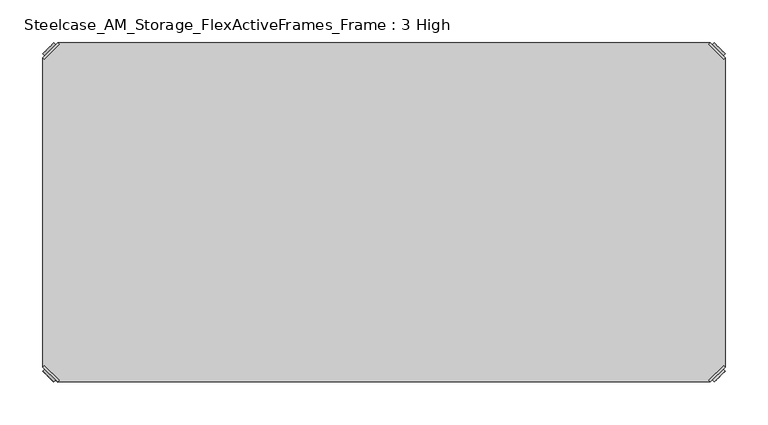
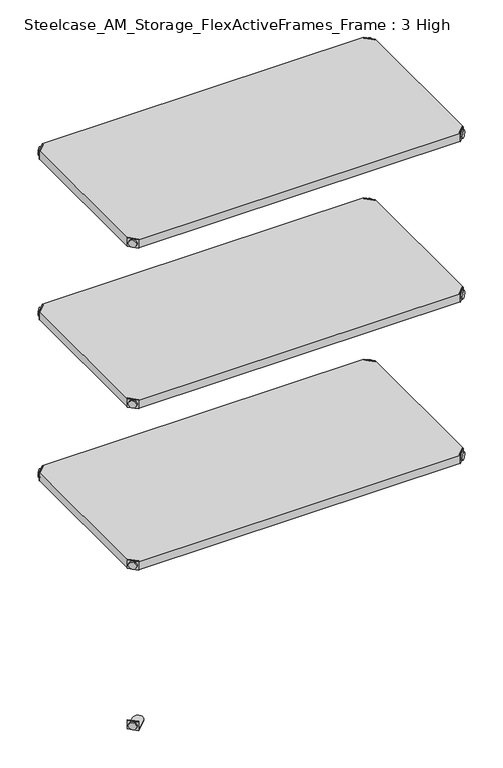
"""IFC4 building model written with IfcOpenShell, lengths in millimetres: furniture geometry, Steelcase_AM_Storage_FlexActiveFrames_Frame : 3 High."""

from ifc_helpers import new_model, si_unit, frame, origin, place, context, project, spatial, polyline, circle_curve, outline, extrude, source, transform, mapped, element, save
from ifc_brep_helpers import plane_surface, cylinder_surface, advanced_brep


def steelcase_am_storage_flexactiveframes_frame_3_high_ee51c34d(model_context):
    return source(origin(), model_context, "Body", "SolidModel", [
        advanced_brep(
        [(2.54, -380.2870969, 923.29), (19.7629031, -397.51, 923.29), (21.5589544, -395.7139488, 923.29), (4.3360512, -378.4910456, 923.29), (2.54, -380.2870969, 901.954), (19.7629031, -397.51, 901.954), (4.8652723, -382.6123691, 913.13), (17.4376309, -395.1847277, 913.13), (30.2920522, -352.5350447, 902.97), (4.3360512, -378.4910456, 902.97), (21.5589544, -395.7139488, 902.97), (47.5149553, -369.7579478, 902.97), (30.2920522, -352.5350447, 901.954), (47.5149553, -369.7579478, 901.954), (15.1227513, -397.4996073, 913.13), (2.5503927, -384.9272487, 913.13)],
        [
            (0, 1),
            (1, 2),
            (2, 3),
            (3, 0),
            (0, 4),
            (4, 5),
            (5, 1),
            (6, 7, circle_curve(frame((11.1514516, -388.8985484, 913.13), z_axis=(0.7071067811865446, 0.7071067811865505, 0.0), x_axis=(-0.7071067811865505, 0.7071067811865446, 0.0)), 8.89)),
            (7, 6, circle_curve(frame((11.1514516, -388.8985484, 913.13), z_axis=(0.7071067811865446, 0.7071067811865505, 0.0), x_axis=(-0.7071067811865505, 0.7071067811865446, 0.0)), 8.89)),
            (8, 9),
            (9, 10),
            (10, 11),
            (11, 8, circle_curve(frame((38.9035037, -361.1464963, 902.97), z_axis=(0.0, 0.0, 1.0), x_axis=(1.0, 0.0, 0.0)), 12.1784316)),
            (12, 13, circle_curve(frame((38.9035037, -361.1464963, 901.954), z_axis=(0.0, 0.0, -1.0), x_axis=(1.0, 0.0, 0.0)), 12.1784316)),
            (13, 5),
            (4, 12),
            (14, 15, circle_curve(frame((8.836572, -391.213428, 913.13), z_axis=(-0.7071067811865446, -0.7071067811865505, 0.0), x_axis=(-0.7071067811865505, 0.7071067811865446, 0.0)), 8.89)),
            (15, 14, circle_curve(frame((8.836572, -391.213428, 913.13), z_axis=(-0.7071067811865446, -0.7071067811865505, 0.0), x_axis=(-0.7071067811865505, 0.7071067811865446, 0.0)), 8.89)),
            (15, 6),
            (7, 14),
            (2, 10),
            (9, 3),
            (11, 13),
            (12, 8),
        ],
        [
            plane_surface(frame((-19.6579872, -402.485084, 923.29), z_axis=(0.0, 0.0, 1.0000000000000002), x_axis=(0.7071067811865436, 0.7071067811865516, 0.0))),
            plane_surface(frame((19.7629031, -397.51, 923.29), z_axis=(-0.7071067811865447, -0.7071067811865503, 0.0), x_axis=(0.0, 0.0, -1.0))),
            plane_surface(frame((51.0819353, -361.1464963, 902.97), z_axis=(0.0, 0.0, 1.0), x_axis=(0.0, -1.0, 0.0))),
            plane_surface(frame((51.0819353, -361.1464963, 901.954), z_axis=(0.0, 0.0, -1.0), x_axis=(0.0, 1.0, 0.0))),
            plane_surface(frame((2.5503927, -384.9272487, 913.13), z_axis=(-0.7071067811865446, -0.7071067811865505, 0.0), x_axis=(0.0, 0.0, 1.0))),
            cylinder_surface(frame((11.1514516, -388.8985484, 913.13), z_axis=(-0.7071067811865446, -0.7071067811865505, 0.0), x_axis=(-0.7071067811865505, 0.7071067811865446, 0.0)), 8.89),
            plane_surface(frame((4.3360512, -378.4910456, 923.29), z_axis=(0.7071067811865447, 0.7071067811865503, 0.0), x_axis=(0.0, 0.0, -1.0))),
            cylinder_surface(frame((38.9035037, -361.1464963, 901.954), z_axis=(0.0, 0.0, 1.0), x_axis=(1.0, 0.0, 0.0)), 12.1784316),
            plane_surface(frame((2.54, -380.2870969, 923.29), z_axis=(-0.7071067811865516, 0.7071067811865436, 0.0), x_axis=(0.0, 0.0, -1.0))),
            plane_surface(frame((21.5589544, -395.7139488, 923.29), z_axis=(0.7071067811865513, -0.7071067811865437, 0.0), x_axis=(0.0, 0.0, -1.0))),
        ],
        [
            (0, [[1, 2, 3, 4]]),
            (1, [[5, 6, 7, -1], [8, 9]]),
            (2, [[10, 11, 12, 13]]),
            (3, [[14, 15, -6, 16]]),
            (4, [[17, 18]]),
            (5, [[19, -9, 20, -18]]),
            (5, [[-20, -8, -19, -17]]),
            (6, [[21, -11, 22, -3]]),
            (7, [[23, -14, 24, -13]]),
            (8, [[-22, -10, -24, -16, -5, -4]]),
            (9, [[-7, -15, -23, -12, -21, -2]]),
        ],
    ),
        advanced_brep(
        [(797.56, -380.2870969, 923.29), (795.7639488, -378.4910456, 923.29), (778.5410456, -395.7139488, 923.29), (780.3370969, -397.51, 923.29), (780.3370969, -397.51, 901.954), (797.56, -380.2870969, 901.954), (795.2347277, -382.6123691, 913.13), (782.6623691, -395.1847277, 913.13), (769.8079478, -352.5350447, 902.97), (752.5850447, -369.7579478, 902.97), (778.5410456, -395.7139488, 902.97), (795.7639488, -378.4910456, 902.97), (769.8079478, -352.5350447, 901.954), (752.5850447, -369.7579478, 901.954), (784.9772487, -397.4996073, 913.13), (797.5496073, -384.9272487, 913.13)],
        [
            (0, 1),
            (1, 2),
            (2, 3),
            (3, 0),
            (3, 4),
            (4, 5),
            (5, 0),
            (6, 7, circle_curve(frame((788.9485484, -388.8985484, 913.13), z_axis=(-0.7071067811865446, 0.7071067811865505, 0.0), x_axis=(0.7071067811865505, 0.7071067811865446, 0.0)), 8.89)),
            (7, 6, circle_curve(frame((788.9485484, -388.8985484, 913.13), z_axis=(-0.7071067811865446, 0.7071067811865505, 0.0), x_axis=(0.7071067811865505, 0.7071067811865446, 0.0)), 8.89)),
            (8, 9, circle_curve(frame((761.1964963, -361.1464963, 902.97), z_axis=(0.0, 0.0, 1.0), x_axis=(-1.0, 0.0, 0.0)), 12.1784316)),
            (9, 10),
            (10, 11),
            (11, 8),
            (12, 5),
            (4, 13),
            (13, 12, circle_curve(frame((761.1964963, -361.1464963, 901.954), z_axis=(0.0, 0.0, -1.0), x_axis=(-1.0, 0.0, 0.0)), 12.1784316)),
            (14, 15, circle_curve(frame((791.263428, -391.213428, 913.13), z_axis=(0.7071067811865446, -0.7071067811865505, 0.0), x_axis=(0.7071067811865505, 0.7071067811865446, 0.0)), 8.89)),
            (15, 14, circle_curve(frame((791.263428, -391.213428, 913.13), z_axis=(0.7071067811865446, -0.7071067811865505, 0.0), x_axis=(0.7071067811865505, 0.7071067811865446, 0.0)), 8.89)),
            (14, 7),
            (6, 15),
            (1, 11),
            (10, 2),
            (8, 12),
            (13, 9),
        ],
        [
            plane_surface(frame((819.7579872, -402.485084, 923.29), z_axis=(0.0, 0.0, 1.0000000000000002), x_axis=(-0.7071067811865436, 0.7071067811865516, 0.0))),
            plane_surface(frame((780.3370969, -397.51, 923.29), z_axis=(0.7071067811865447, -0.7071067811865503, 0.0), x_axis=(0.0, 0.0, -1.0))),
            plane_surface(frame((749.0180647, -361.1464963, 902.97), z_axis=(0.0, 0.0, 1.0), x_axis=(0.0, -1.0, 0.0))),
            plane_surface(frame((749.0180647, -361.1464963, 901.954), z_axis=(0.0, 0.0, -1.0), x_axis=(0.0, 1.0, 0.0))),
            plane_surface(frame((797.5496073, -384.9272487, 913.13), z_axis=(0.7071067811865446, -0.7071067811865505, 0.0), x_axis=(0.0, 0.0, 1.0))),
            cylinder_surface(frame((788.9485484, -388.8985484, 913.13), z_axis=(0.7071067811865446, -0.7071067811865505, 0.0), x_axis=(0.7071067811865505, 0.7071067811865446, 0.0)), 8.89),
            plane_surface(frame((795.7639488, -378.4910456, 923.29), z_axis=(-0.7071067811865447, 0.7071067811865503, 0.0), x_axis=(0.0, 0.0, -1.0))),
            cylinder_surface(frame((761.1964963, -361.1464963, 901.954), z_axis=(0.0, 0.0, 1.0), x_axis=(-1.0, 0.0, 0.0)), 12.1784316),
            plane_surface(frame((797.56, -380.2870969, 923.29), z_axis=(0.7071067811865516, 0.7071067811865436, 0.0), x_axis=(0.0, 0.0, -1.0))),
            plane_surface(frame((778.5410456, -395.7139488, 923.29), z_axis=(-0.7071067811865513, -0.7071067811865437, 0.0), x_axis=(0.0, 0.0, -1.0))),
        ],
        [
            (0, [[1, 2, 3, 4]]),
            (1, [[-4, 5, 6, 7], [8, 9]]),
            (2, [[10, 11, 12, 13]]),
            (3, [[14, -6, 15, 16]]),
            (4, [[17, 18]]),
            (5, [[-17, 19, -8, 20]]),
            (5, [[-18, -20, -9, -19]]),
            (6, [[-2, 21, -12, 22]]),
            (7, [[-10, 23, -16, 24]]),
            (8, [[-1, -7, -14, -23, -13, -21]]),
            (9, [[-3, -22, -11, -24, -15, -5]]),
        ],
    ),
        advanced_brep(
        [(797.56, -19.7629031, 923.29), (780.3370969, -2.54, 923.29), (778.5410456, -4.3360512, 923.29), (795.7639488, -21.5589544, 923.29), (797.56, -19.7629031, 901.954), (780.3370969, -2.54, 901.954), (795.2347277, -17.4376309, 913.13), (782.6623691, -4.8652723, 913.13), (769.8079478, -47.5149553, 902.97), (795.7639488, -21.5589544, 902.97), (778.5410456, -4.3360512, 902.97), (752.5850447, -30.2920522, 902.97), (769.8079478, -47.5149553, 901.954), (752.5850447, -30.2920522, 901.954), (784.9772487, -2.5503927, 913.13), (797.5496073, -15.1227513, 913.13)],
        [
            (0, 1),
            (1, 2),
            (2, 3),
            (3, 0),
            (0, 4),
            (4, 5),
            (5, 1),
            (6, 7, circle_curve(frame((788.9485484, -11.1514516, 913.13), z_axis=(-0.7071067811865469, -0.7071067811865481, 0.0), x_axis=(0.7071067811865481, -0.7071067811865469, 0.0)), 8.89)),
            (7, 6, circle_curve(frame((788.9485484, -11.1514516, 913.13), z_axis=(-0.7071067811865469, -0.7071067811865481, 0.0), x_axis=(0.7071067811865481, -0.7071067811865469, 0.0)), 8.89)),
            (8, 9),
            (9, 10),
            (10, 11),
            (11, 8, circle_curve(frame((761.1964963, -38.9035037, 902.97), z_axis=(0.0, 0.0, 1.0), x_axis=(-1.0, 0.0, 0.0)), 12.1784316)),
            (12, 13, circle_curve(frame((761.1964963, -38.9035037, 901.954), z_axis=(0.0, 0.0, -1.0), x_axis=(-1.0, 0.0, 0.0)), 12.1784316)),
            (13, 5),
            (4, 12),
            (14, 15, circle_curve(frame((791.263428, -8.836572, 913.13), z_axis=(0.7071067811865469, 0.7071067811865481, 0.0), x_axis=(0.7071067811865481, -0.7071067811865469, 0.0)), 8.89)),
            (15, 14, circle_curve(frame((791.263428, -8.836572, 913.13), z_axis=(0.7071067811865469, 0.7071067811865481, 0.0), x_axis=(0.7071067811865481, -0.7071067811865469, 0.0)), 8.89)),
            (15, 6),
            (7, 14),
            (2, 10),
            (9, 3),
            (11, 13),
            (12, 8),
        ],
        [
            plane_surface(frame((819.7579872, 2.435084, 923.29), z_axis=(0.0, 0.0, 1.0000000000000002), x_axis=(-0.7071067811865459, -0.7071067811865492, 0.0))),
            plane_surface(frame((780.3370969, -2.54, 923.29), z_axis=(0.707106781186547, 0.707106781186548, 0.0), x_axis=(0.0, 0.0, -1.0))),
            plane_surface(frame((749.0180647, -38.9035037, 902.97), z_axis=(0.0, 0.0, 1.0), x_axis=(0.0, 1.0, 0.0))),
            plane_surface(frame((749.0180647, -38.9035037, 901.954), z_axis=(0.0, 0.0, -1.0), x_axis=(0.0, -1.0, 0.0))),
            plane_surface(frame((797.5496073, -15.1227513, 913.13), z_axis=(0.7071067811865469, 0.7071067811865481, 0.0), x_axis=(0.0, 0.0, 1.0))),
            cylinder_surface(frame((788.9485484, -11.1514516, 913.13), z_axis=(0.7071067811865469, 0.7071067811865481, 0.0), x_axis=(0.7071067811865481, -0.7071067811865469, 0.0)), 8.89),
            plane_surface(frame((795.7639488, -21.5589544, 923.29), z_axis=(-0.707106781186547, -0.707106781186548, 0.0), x_axis=(0.0, 0.0, -1.0))),
            cylinder_surface(frame((761.1964963, -38.9035037, 901.954), z_axis=(0.0, 0.0, 1.0), x_axis=(-1.0, 0.0, 0.0)), 12.1784316),
            plane_surface(frame((797.56, -19.7629031, 923.29), z_axis=(0.7071067811865492, -0.7071067811865459, 0.0), x_axis=(0.0, 0.0, -1.0))),
            plane_surface(frame((778.5410456, -4.3360512, 923.29), z_axis=(-0.707106781186549, 0.707106781186546, 0.0), x_axis=(0.0, 0.0, -1.0))),
        ],
        [
            (0, [[1, 2, 3, 4]]),
            (1, [[5, 6, 7, -1], [8, 9]]),
            (2, [[10, 11, 12, 13]]),
            (3, [[14, 15, -6, 16]]),
            (4, [[17, 18]]),
            (5, [[19, -9, 20, -18]]),
            (5, [[-20, -8, -19, -17]]),
            (6, [[21, -11, 22, -3]]),
            (7, [[23, -14, 24, -13]]),
            (8, [[-22, -10, -24, -16, -5, -4]]),
            (9, [[-7, -15, -23, -12, -21, -2]]),
        ],
    ),
        advanced_brep(
        [(2.54, -19.7629031, 923.29), (4.3360512, -21.5589544, 923.29), (21.5589544, -4.3360512, 923.29), (19.7629031, -2.54, 923.29), (19.7629031, -2.54, 901.954), (2.54, -19.7629031, 901.954), (4.8652723, -17.4376309, 913.13), (17.4376309, -4.8652723, 913.13), (30.2920522, -47.5149553, 902.97), (47.5149553, -30.2920522, 902.97), (21.5589544, -4.3360512, 902.97), (4.3360512, -21.5589544, 902.97), (30.2920522, -47.5149553, 901.954), (47.5149553, -30.2920522, 901.954), (15.1227513, -2.5503927, 913.13), (2.5503927, -15.1227513, 913.13)],
        [
            (0, 1),
            (1, 2),
            (2, 3),
            (3, 0),
            (3, 4),
            (4, 5),
            (5, 0),
            (6, 7, circle_curve(frame((11.1514516, -11.1514516, 913.13), z_axis=(0.7071067811865469, -0.7071067811865481, 0.0), x_axis=(-0.7071067811865481, -0.7071067811865469, 0.0)), 8.89)),
            (7, 6, circle_curve(frame((11.1514516, -11.1514516, 913.13), z_axis=(0.7071067811865469, -0.7071067811865481, 0.0), x_axis=(-0.7071067811865481, -0.7071067811865469, 0.0)), 8.89)),
            (8, 9, circle_curve(frame((38.9035037, -38.9035037, 902.97), z_axis=(0.0, 0.0, 1.0), x_axis=(1.0, 0.0, 0.0)), 12.1784316)),
            (9, 10),
            (10, 11),
            (11, 8),
            (12, 5),
            (4, 13),
            (13, 12, circle_curve(frame((38.9035037, -38.9035037, 901.954), z_axis=(0.0, 0.0, -1.0), x_axis=(1.0, 0.0, 0.0)), 12.1784316)),
            (14, 15, circle_curve(frame((8.836572, -8.836572, 913.13), z_axis=(-0.7071067811865469, 0.7071067811865481, 0.0), x_axis=(-0.7071067811865481, -0.7071067811865469, 0.0)), 8.89)),
            (15, 14, circle_curve(frame((8.836572, -8.836572, 913.13), z_axis=(-0.7071067811865469, 0.7071067811865481, 0.0), x_axis=(-0.7071067811865481, -0.7071067811865469, 0.0)), 8.89)),
            (14, 7),
            (6, 15),
            (1, 11),
            (10, 2),
            (8, 12),
            (13, 9),
        ],
        [
            plane_surface(frame((-19.6579872, 2.435084, 923.29), z_axis=(0.0, 0.0, 1.0000000000000002), x_axis=(0.7071067811865459, -0.7071067811865492, 0.0))),
            plane_surface(frame((19.7629031, -2.54, 923.29), z_axis=(-0.707106781186547, 0.707106781186548, 0.0), x_axis=(0.0, 0.0, -1.0))),
            plane_surface(frame((51.0819353, -38.9035037, 902.97), z_axis=(0.0, 0.0, 1.0), x_axis=(0.0, 1.0, 0.0))),
            plane_surface(frame((51.0819353, -38.9035037, 901.954), z_axis=(0.0, 0.0, -1.0), x_axis=(0.0, -1.0, 0.0))),
            plane_surface(frame((2.5503927, -15.1227513, 913.13), z_axis=(-0.7071067811865469, 0.7071067811865481, 0.0), x_axis=(0.0, 0.0, 1.0))),
            cylinder_surface(frame((11.1514516, -11.1514516, 913.13), z_axis=(-0.7071067811865469, 0.7071067811865481, 0.0), x_axis=(-0.7071067811865481, -0.7071067811865469, 0.0)), 8.89),
            plane_surface(frame((4.3360512, -21.5589544, 923.29), z_axis=(0.707106781186547, -0.707106781186548, 0.0), x_axis=(0.0, 0.0, -1.0))),
            cylinder_surface(frame((38.9035037, -38.9035037, 901.954), z_axis=(0.0, 0.0, 1.0), x_axis=(1.0, 0.0, 0.0)), 12.1784316),
            plane_surface(frame((2.54, -19.7629031, 923.29), z_axis=(-0.7071067811865492, -0.7071067811865459, 0.0), x_axis=(0.0, 0.0, -1.0))),
            plane_surface(frame((21.5589544, -4.3360512, 923.29), z_axis=(0.707106781186549, 0.707106781186546, 0.0), x_axis=(0.0, 0.0, -1.0))),
        ],
        [
            (0, [[1, 2, 3, 4]]),
            (1, [[-4, 5, 6, 7], [8, 9]]),
            (2, [[10, 11, 12, 13]]),
            (3, [[14, -6, 15, 16]]),
            (4, [[17, 18]]),
            (5, [[-17, 19, -8, 20]]),
            (5, [[-18, -20, -9, -19]]),
            (6, [[-2, 21, -12, 22]]),
            (7, [[-10, 23, -16, 24]]),
            (8, [[-1, -7, -14, -23, -13, -21]]),
            (9, [[-3, -22, -11, -24, -15, -5]]),
        ],
    ),
        extrude(outline(polyline([(19.7629031, -2.54), (780.3370969, -2.54), (778.5410456, -4.3360512), (795.7639488, -21.5589544), (797.56, -19.7629031), (797.56, -380.2870969), (795.7639488, -378.4910456), (778.5410456, -395.7139488), (780.3370969, -397.51), (19.7629031, -397.51), (21.5589544, -395.7139488), (4.3360512, -378.4910456), (2.54, -380.2870969), (2.54, -19.7629031), (4.3360512, -21.5589544), (21.5589544, -4.3360512), (19.7629031, -2.54)])), frame((0.0, 0.0, 902.97), z_axis=(0.0, 0.0, 1.0), x_axis=(1.0, 0.0, 0.0)), (0.0, 0.0, 1.0), 20.32),
        advanced_brep(
        [(2.54, -380.2870969, 520.2936), (19.7629031, -397.51, 520.2936), (21.5589544, -395.7139488, 520.2936), (4.3360512, -378.4910456, 520.2936), (2.54, -380.2870969, 498.9576), (19.7629031, -397.51, 498.9576), (4.8652723, -382.6123691, 510.1336), (17.4376309, -395.1847277, 510.1336), (30.2920522, -352.5350447, 499.9736), (4.3360512, -378.4910456, 499.9736), (21.5589544, -395.7139488, 499.9736), (47.5149553, -369.7579478, 499.9736), (30.2920522, -352.5350447, 498.9576), (47.5149553, -369.7579478, 498.9576), (15.1227513, -397.4996073, 510.1336), (2.5503927, -384.9272487, 510.1336)],
        [
            (0, 1),
            (1, 2),
            (2, 3),
            (3, 0),
            (0, 4),
            (4, 5),
            (5, 1),
            (6, 7, circle_curve(frame((11.1514516, -388.8985484, 510.1336), z_axis=(0.7071067811865446, 0.7071067811865505, 0.0), x_axis=(-0.7071067811865505, 0.7071067811865446, 0.0)), 8.89)),
            (7, 6, circle_curve(frame((11.1514516, -388.8985484, 510.1336), z_axis=(0.7071067811865446, 0.7071067811865505, 0.0), x_axis=(-0.7071067811865505, 0.7071067811865446, 0.0)), 8.89)),
            (8, 9),
            (9, 10),
            (10, 11),
            (11, 8, circle_curve(frame((38.9035037, -361.1464963, 499.9736), z_axis=(0.0, 0.0, 1.0), x_axis=(1.0, 0.0, 0.0)), 12.1784316)),
            (12, 13, circle_curve(frame((38.9035037, -361.1464963, 498.9576), z_axis=(0.0, 0.0, -1.0), x_axis=(1.0, 0.0, 0.0)), 12.1784316)),
            (13, 5),
            (4, 12),
            (14, 15, circle_curve(frame((8.836572, -391.213428, 510.1336), z_axis=(-0.7071067811865446, -0.7071067811865505, 0.0), x_axis=(-0.7071067811865505, 0.7071067811865446, 0.0)), 8.89)),
            (15, 14, circle_curve(frame((8.836572, -391.213428, 510.1336), z_axis=(-0.7071067811865446, -0.7071067811865505, 0.0), x_axis=(-0.7071067811865505, 0.7071067811865446, 0.0)), 8.89)),
            (15, 6),
            (7, 14),
            (2, 10),
            (9, 3),
            (11, 13),
            (12, 8),
        ],
        [
            plane_surface(frame((-19.6579872, -402.485084, 520.2936), z_axis=(0.0, 0.0, 1.0000000000000002), x_axis=(0.7071067811865436, 0.7071067811865516, 0.0))),
            plane_surface(frame((19.7629031, -397.51, 520.2936), z_axis=(-0.7071067811865447, -0.7071067811865503, 0.0), x_axis=(0.0, 0.0, -1.0))),
            plane_surface(frame((51.0819353, -361.1464963, 499.9736), z_axis=(0.0, 0.0, 1.0), x_axis=(0.0, -1.0, 0.0))),
            plane_surface(frame((51.0819353, -361.1464963, 498.9576), z_axis=(0.0, 0.0, -1.0), x_axis=(0.0, 1.0, 0.0))),
            plane_surface(frame((2.5503927, -384.9272487, 510.1336), z_axis=(-0.7071067811865446, -0.7071067811865505, 0.0), x_axis=(0.0, 0.0, 1.0))),
            cylinder_surface(frame((11.1514516, -388.8985484, 510.1336), z_axis=(-0.7071067811865446, -0.7071067811865505, 0.0), x_axis=(-0.7071067811865505, 0.7071067811865446, 0.0)), 8.89),
            plane_surface(frame((4.3360512, -378.4910456, 520.2936), z_axis=(0.7071067811865447, 0.7071067811865503, 0.0), x_axis=(0.0, 0.0, -1.0))),
            cylinder_surface(frame((38.9035037, -361.1464963, 498.9576), z_axis=(0.0, 0.0, 1.0), x_axis=(1.0, 0.0, 0.0)), 12.1784316),
            plane_surface(frame((2.54, -380.2870969, 520.2936), z_axis=(-0.7071067811865516, 0.7071067811865436, 0.0), x_axis=(0.0, 0.0, -1.0))),
            plane_surface(frame((21.5589544, -395.7139488, 520.2936), z_axis=(0.7071067811865513, -0.7071067811865437, 0.0), x_axis=(0.0, 0.0, -1.0))),
        ],
        [
            (0, [[1, 2, 3, 4]]),
            (1, [[5, 6, 7, -1], [8, 9]]),
            (2, [[10, 11, 12, 13]]),
            (3, [[14, 15, -6, 16]]),
            (4, [[17, 18]]),
            (5, [[19, -9, 20, -18]]),
            (5, [[-20, -8, -19, -17]]),
            (6, [[21, -11, 22, -3]]),
            (7, [[23, -14, 24, -13]]),
            (8, [[-22, -10, -24, -16, -5, -4]]),
            (9, [[-7, -15, -23, -12, -21, -2]]),
        ],
    ),
        advanced_brep(
        [(797.56, -380.2870969, 520.2936), (795.7639488, -378.4910456, 520.2936), (778.5410456, -395.7139488, 520.2936), (780.3370969, -397.51, 520.2936), (780.3370969, -397.51, 498.9576), (797.56, -380.2870969, 498.9576), (795.2347277, -382.6123691, 510.1336), (782.6623691, -395.1847277, 510.1336), (769.8079478, -352.5350447, 499.9736), (752.5850447, -369.7579478, 499.9736), (778.5410456, -395.7139488, 499.9736), (795.7639488, -378.4910456, 499.9736), (769.8079478, -352.5350447, 498.9576), (752.5850447, -369.7579478, 498.9576), (784.9772487, -397.4996073, 510.1336), (797.5496073, -384.9272487, 510.1336)],
        [
            (0, 1),
            (1, 2),
            (2, 3),
            (3, 0),
            (3, 4),
            (4, 5),
            (5, 0),
            (6, 7, circle_curve(frame((788.9485484, -388.8985484, 510.1336), z_axis=(-0.7071067811865446, 0.7071067811865505, 0.0), x_axis=(0.7071067811865505, 0.7071067811865446, 0.0)), 8.89)),
            (7, 6, circle_curve(frame((788.9485484, -388.8985484, 510.1336), z_axis=(-0.7071067811865446, 0.7071067811865505, 0.0), x_axis=(0.7071067811865505, 0.7071067811865446, 0.0)), 8.89)),
            (8, 9, circle_curve(frame((761.1964963, -361.1464963, 499.9736), z_axis=(0.0, 0.0, 1.0), x_axis=(-1.0, 0.0, 0.0)), 12.1784316)),
            (9, 10),
            (10, 11),
            (11, 8),
            (12, 5),
            (4, 13),
            (13, 12, circle_curve(frame((761.1964963, -361.1464963, 498.9576), z_axis=(0.0, 0.0, -1.0), x_axis=(-1.0, 0.0, 0.0)), 12.1784316)),
            (14, 15, circle_curve(frame((791.263428, -391.213428, 510.1336), z_axis=(0.7071067811865446, -0.7071067811865505, 0.0), x_axis=(0.7071067811865505, 0.7071067811865446, 0.0)), 8.89)),
            (15, 14, circle_curve(frame((791.263428, -391.213428, 510.1336), z_axis=(0.7071067811865446, -0.7071067811865505, 0.0), x_axis=(0.7071067811865505, 0.7071067811865446, 0.0)), 8.89)),
            (14, 7),
            (6, 15),
            (1, 11),
            (10, 2),
            (8, 12),
            (13, 9),
        ],
        [
            plane_surface(frame((819.7579872, -402.485084, 520.2936), z_axis=(0.0, 0.0, 1.0000000000000002), x_axis=(-0.7071067811865436, 0.7071067811865516, 0.0))),
            plane_surface(frame((780.3370969, -397.51, 520.2936), z_axis=(0.7071067811865447, -0.7071067811865503, 0.0), x_axis=(0.0, 0.0, -1.0))),
            plane_surface(frame((749.0180647, -361.1464963, 499.9736), z_axis=(0.0, 0.0, 1.0), x_axis=(0.0, -1.0, 0.0))),
            plane_surface(frame((749.0180647, -361.1464963, 498.9576), z_axis=(0.0, 0.0, -1.0), x_axis=(0.0, 1.0, 0.0))),
            plane_surface(frame((797.5496073, -384.9272487, 510.1336), z_axis=(0.7071067811865446, -0.7071067811865505, 0.0), x_axis=(0.0, 0.0, 1.0))),
            cylinder_surface(frame((788.9485484, -388.8985484, 510.1336), z_axis=(0.7071067811865446, -0.7071067811865505, 0.0), x_axis=(0.7071067811865505, 0.7071067811865446, 0.0)), 8.89),
            plane_surface(frame((795.7639488, -378.4910456, 520.2936), z_axis=(-0.7071067811865447, 0.7071067811865503, 0.0), x_axis=(0.0, 0.0, -1.0))),
            cylinder_surface(frame((761.1964963, -361.1464963, 498.9576), z_axis=(0.0, 0.0, 1.0), x_axis=(-1.0, 0.0, 0.0)), 12.1784316),
            plane_surface(frame((797.56, -380.2870969, 520.2936), z_axis=(0.7071067811865516, 0.7071067811865436, 0.0), x_axis=(0.0, 0.0, -1.0))),
            plane_surface(frame((778.5410456, -395.7139488, 520.2936), z_axis=(-0.7071067811865513, -0.7071067811865437, 0.0), x_axis=(0.0, 0.0, -1.0))),
        ],
        [
            (0, [[1, 2, 3, 4]]),
            (1, [[-4, 5, 6, 7], [8, 9]]),
            (2, [[10, 11, 12, 13]]),
            (3, [[14, -6, 15, 16]]),
            (4, [[17, 18]]),
            (5, [[-17, 19, -8, 20]]),
            (5, [[-18, -20, -9, -19]]),
            (6, [[-2, 21, -12, 22]]),
            (7, [[-10, 23, -16, 24]]),
            (8, [[-1, -7, -14, -23, -13, -21]]),
            (9, [[-3, -22, -11, -24, -15, -5]]),
        ],
    ),
        advanced_brep(
        [(797.56, -19.7629031, 520.2936), (780.3370969, -2.54, 520.2936), (778.5410456, -4.3360512, 520.2936), (795.7639488, -21.5589544, 520.2936), (797.56, -19.7629031, 498.9576), (780.3370969, -2.54, 498.9576), (795.2347277, -17.4376309, 510.1336), (782.6623691, -4.8652723, 510.1336), (769.8079478, -47.5149553, 499.9736), (795.7639488, -21.5589544, 499.9736), (778.5410456, -4.3360512, 499.9736), (752.5850447, -30.2920522, 499.9736), (769.8079478, -47.5149553, 498.9576), (752.5850447, -30.2920522, 498.9576), (784.9772487, -2.5503927, 510.1336), (797.5496073, -15.1227513, 510.1336)],
        [
            (0, 1),
            (1, 2),
            (2, 3),
            (3, 0),
            (0, 4),
            (4, 5),
            (5, 1),
            (6, 7, circle_curve(frame((788.9485484, -11.1514516, 510.1336), z_axis=(-0.7071067811865469, -0.7071067811865481, 0.0), x_axis=(0.7071067811865481, -0.7071067811865469, 0.0)), 8.89)),
            (7, 6, circle_curve(frame((788.9485484, -11.1514516, 510.1336), z_axis=(-0.7071067811865469, -0.7071067811865481, 0.0), x_axis=(0.7071067811865481, -0.7071067811865469, 0.0)), 8.89)),
            (8, 9),
            (9, 10),
            (10, 11),
            (11, 8, circle_curve(frame((761.1964963, -38.9035037, 499.9736), z_axis=(0.0, 0.0, 1.0), x_axis=(-1.0, 0.0, 0.0)), 12.1784316)),
            (12, 13, circle_curve(frame((761.1964963, -38.9035037, 498.9576), z_axis=(0.0, 0.0, -1.0), x_axis=(-1.0, 0.0, 0.0)), 12.1784316)),
            (13, 5),
            (4, 12),
            (14, 15, circle_curve(frame((791.263428, -8.836572, 510.1336), z_axis=(0.7071067811865469, 0.7071067811865481, 0.0), x_axis=(0.7071067811865481, -0.7071067811865469, 0.0)), 8.89)),
            (15, 14, circle_curve(frame((791.263428, -8.836572, 510.1336), z_axis=(0.7071067811865469, 0.7071067811865481, 0.0), x_axis=(0.7071067811865481, -0.7071067811865469, 0.0)), 8.89)),
            (15, 6),
            (7, 14),
            (2, 10),
            (9, 3),
            (11, 13),
            (12, 8),
        ],
        [
            plane_surface(frame((819.7579872, 2.435084, 520.2936), z_axis=(0.0, 0.0, 1.0000000000000002), x_axis=(-0.7071067811865459, -0.7071067811865492, 0.0))),
            plane_surface(frame((780.3370969, -2.54, 520.2936), z_axis=(0.707106781186547, 0.707106781186548, 0.0), x_axis=(0.0, 0.0, -1.0))),
            plane_surface(frame((749.0180647, -38.9035037, 499.9736), z_axis=(0.0, 0.0, 1.0), x_axis=(0.0, 1.0, 0.0))),
            plane_surface(frame((749.0180647, -38.9035037, 498.9576), z_axis=(0.0, 0.0, -1.0), x_axis=(0.0, -1.0, 0.0))),
            plane_surface(frame((797.5496073, -15.1227513, 510.1336), z_axis=(0.7071067811865469, 0.7071067811865481, 0.0), x_axis=(0.0, 0.0, 1.0))),
            cylinder_surface(frame((788.9485484, -11.1514516, 510.1336), z_axis=(0.7071067811865469, 0.7071067811865481, 0.0), x_axis=(0.7071067811865481, -0.7071067811865469, 0.0)), 8.89),
            plane_surface(frame((795.7639488, -21.5589544, 520.2936), z_axis=(-0.707106781186547, -0.707106781186548, 0.0), x_axis=(0.0, 0.0, -1.0))),
            cylinder_surface(frame((761.1964963, -38.9035037, 498.9576), z_axis=(0.0, 0.0, 1.0), x_axis=(-1.0, 0.0, 0.0)), 12.1784316),
            plane_surface(frame((797.56, -19.7629031, 520.2936), z_axis=(0.7071067811865492, -0.7071067811865459, 0.0), x_axis=(0.0, 0.0, -1.0))),
            plane_surface(frame((778.5410456, -4.3360512, 520.2936), z_axis=(-0.707106781186549, 0.707106781186546, 0.0), x_axis=(0.0, 0.0, -1.0))),
        ],
        [
            (0, [[1, 2, 3, 4]]),
            (1, [[5, 6, 7, -1], [8, 9]]),
            (2, [[10, 11, 12, 13]]),
            (3, [[14, 15, -6, 16]]),
            (4, [[17, 18]]),
            (5, [[19, -9, 20, -18]]),
            (5, [[-20, -8, -19, -17]]),
            (6, [[21, -11, 22, -3]]),
            (7, [[23, -14, 24, -13]]),
            (8, [[-22, -10, -24, -16, -5, -4]]),
            (9, [[-7, -15, -23, -12, -21, -2]]),
        ],
    ),
        advanced_brep(
        [(2.54, -19.7629031, 520.2936), (4.3360512, -21.5589544, 520.2936), (21.5589544, -4.3360512, 520.2936), (19.7629031, -2.54, 520.2936), (19.7629031, -2.54, 498.9576), (2.54, -19.7629031, 498.9576), (4.8652723, -17.4376309, 510.1336), (17.4376309, -4.8652723, 510.1336), (30.2920522, -47.5149553, 499.9736), (47.5149553, -30.2920522, 499.9736), (21.5589544, -4.3360512, 499.9736), (4.3360512, -21.5589544, 499.9736), (30.2920522, -47.5149553, 498.9576), (47.5149553, -30.2920522, 498.9576), (15.1227513, -2.5503927, 510.1336), (2.5503927, -15.1227513, 510.1336)],
        [
            (0, 1),
            (1, 2),
            (2, 3),
            (3, 0),
            (3, 4),
            (4, 5),
            (5, 0),
            (6, 7, circle_curve(frame((11.1514516, -11.1514516, 510.1336), z_axis=(0.7071067811865469, -0.7071067811865481, 0.0), x_axis=(-0.7071067811865481, -0.7071067811865469, 0.0)), 8.89)),
            (7, 6, circle_curve(frame((11.1514516, -11.1514516, 510.1336), z_axis=(0.7071067811865469, -0.7071067811865481, 0.0), x_axis=(-0.7071067811865481, -0.7071067811865469, 0.0)), 8.89)),
            (8, 9, circle_curve(frame((38.9035037, -38.9035037, 499.9736), z_axis=(0.0, 0.0, 1.0), x_axis=(1.0, 0.0, 0.0)), 12.1784316)),
            (9, 10),
            (10, 11),
            (11, 8),
            (12, 5),
            (4, 13),
            (13, 12, circle_curve(frame((38.9035037, -38.9035037, 498.9576), z_axis=(0.0, 0.0, -1.0), x_axis=(1.0, 0.0, 0.0)), 12.1784316)),
            (14, 15, circle_curve(frame((8.836572, -8.836572, 510.1336), z_axis=(-0.7071067811865469, 0.7071067811865481, 0.0), x_axis=(-0.7071067811865481, -0.7071067811865469, 0.0)), 8.89)),
            (15, 14, circle_curve(frame((8.836572, -8.836572, 510.1336), z_axis=(-0.7071067811865469, 0.7071067811865481, 0.0), x_axis=(-0.7071067811865481, -0.7071067811865469, 0.0)), 8.89)),
            (14, 7),
            (6, 15),
            (1, 11),
            (10, 2),
            (8, 12),
            (13, 9),
        ],
        [
            plane_surface(frame((-19.6579872, 2.435084, 520.2936), z_axis=(0.0, 0.0, 1.0000000000000002), x_axis=(0.7071067811865459, -0.7071067811865492, 0.0))),
            plane_surface(frame((19.7629031, -2.54, 520.2936), z_axis=(-0.707106781186547, 0.707106781186548, 0.0), x_axis=(0.0, 0.0, -1.0))),
            plane_surface(frame((51.0819353, -38.9035037, 499.9736), z_axis=(0.0, 0.0, 1.0), x_axis=(0.0, 1.0, 0.0))),
            plane_surface(frame((51.0819353, -38.9035037, 498.9576), z_axis=(0.0, 0.0, -1.0), x_axis=(0.0, -1.0, 0.0))),
            plane_surface(frame((2.5503927, -15.1227513, 510.1336), z_axis=(-0.7071067811865469, 0.7071067811865481, 0.0), x_axis=(0.0, 0.0, 1.0))),
            cylinder_surface(frame((11.1514516, -11.1514516, 510.1336), z_axis=(-0.7071067811865469, 0.7071067811865481, 0.0), x_axis=(-0.7071067811865481, -0.7071067811865469, 0.0)), 8.89),
            plane_surface(frame((4.3360512, -21.5589544, 520.2936), z_axis=(0.707106781186547, -0.707106781186548, 0.0), x_axis=(0.0, 0.0, -1.0))),
            cylinder_surface(frame((38.9035037, -38.9035037, 498.9576), z_axis=(0.0, 0.0, 1.0), x_axis=(1.0, 0.0, 0.0)), 12.1784316),
            plane_surface(frame((2.54, -19.7629031, 520.2936), z_axis=(-0.7071067811865492, -0.7071067811865459, 0.0), x_axis=(0.0, 0.0, -1.0))),
            plane_surface(frame((21.5589544, -4.3360512, 520.2936), z_axis=(0.707106781186549, 0.707106781186546, 0.0), x_axis=(0.0, 0.0, -1.0))),
        ],
        [
            (0, [[1, 2, 3, 4]]),
            (1, [[-4, 5, 6, 7], [8, 9]]),
            (2, [[10, 11, 12, 13]]),
            (3, [[14, -6, 15, 16]]),
            (4, [[17, 18]]),
            (5, [[-17, 19, -8, 20]]),
            (5, [[-18, -20, -9, -19]]),
            (6, [[-2, 21, -12, 22]]),
            (7, [[-10, 23, -16, 24]]),
            (8, [[-1, -7, -14, -23, -13, -21]]),
            (9, [[-3, -22, -11, -24, -15, -5]]),
        ],
    ),
        extrude(outline(polyline([(19.7629031, -2.54), (780.3370969, -2.54), (778.5410456, -4.3360512), (795.7639488, -21.5589544), (797.56, -19.7629031), (797.56, -380.2870969), (795.7639488, -378.4910456), (778.5410456, -395.7139488), (780.3370969, -397.51), (19.7629031, -397.51), (21.5589544, -395.7139488), (4.3360512, -378.4910456), (2.54, -380.2870969), (2.54, -19.7629031), (4.3360512, -21.5589544), (21.5589544, -4.3360512), (19.7629031, -2.54)])), frame((0.0, 0.0, 499.9736), z_axis=(0.0, 0.0, 1.0), x_axis=(1.0, 0.0, 0.0)), (0.0, 0.0, 1.0), 20.32),
        advanced_brep(
        [(2.54, -380.2870969, 1324.61), (19.7629031, -397.51, 1324.61), (21.5589544, -395.7139488, 1324.61), (4.3360512, -378.4910456, 1324.61), (2.54, -380.2870969, 1303.274), (19.7629031, -397.51, 1303.274), (4.8652723, -382.6123691, 1314.45), (17.4376309, -395.1847277, 1314.45), (30.2920522, -352.5350447, 1304.29), (4.3360512, -378.4910456, 1304.29), (21.5589544, -395.7139488, 1304.29), (47.5149553, -369.7579478, 1304.29), (30.2920522, -352.5350447, 1303.274), (47.5149553, -369.7579478, 1303.274), (15.1227513, -397.4996073, 1314.45), (2.5503927, -384.9272487, 1314.45)],
        [
            (0, 1),
            (1, 2),
            (2, 3),
            (3, 0),
            (0, 4),
            (4, 5),
            (5, 1),
            (6, 7, circle_curve(frame((11.1514516, -388.8985484, 1314.45), z_axis=(0.7071067811865446, 0.7071067811865505, 0.0), x_axis=(-0.7071067811865505, 0.7071067811865446, 0.0)), 8.89)),
            (7, 6, circle_curve(frame((11.1514516, -388.8985484, 1314.45), z_axis=(0.7071067811865446, 0.7071067811865505, 0.0), x_axis=(-0.7071067811865505, 0.7071067811865446, 0.0)), 8.89)),
            (8, 9),
            (9, 10),
            (10, 11),
            (11, 8, circle_curve(frame((38.9035037, -361.1464963, 1304.29), z_axis=(0.0, 0.0, 1.0), x_axis=(1.0, 0.0, 0.0)), 12.1784316)),
            (12, 13, circle_curve(frame((38.9035037, -361.1464963, 1303.274), z_axis=(0.0, 0.0, -1.0), x_axis=(1.0, 0.0, 0.0)), 12.1784316)),
            (13, 5),
            (4, 12),
            (14, 15, circle_curve(frame((8.836572, -391.213428, 1314.45), z_axis=(-0.7071067811865446, -0.7071067811865505, 0.0), x_axis=(-0.7071067811865505, 0.7071067811865446, 0.0)), 8.89)),
            (15, 14, circle_curve(frame((8.836572, -391.213428, 1314.45), z_axis=(-0.7071067811865446, -0.7071067811865505, 0.0), x_axis=(-0.7071067811865505, 0.7071067811865446, 0.0)), 8.89)),
            (15, 6),
            (7, 14),
            (2, 10),
            (9, 3),
            (11, 13),
            (12, 8),
        ],
        [
            plane_surface(frame((-19.6579872, -402.485084, 1324.61), z_axis=(0.0, 0.0, 1.0000000000000002), x_axis=(0.7071067811865436, 0.7071067811865516, 0.0))),
            plane_surface(frame((19.7629031, -397.51, 1324.61), z_axis=(-0.7071067811865447, -0.7071067811865503, 0.0), x_axis=(0.0, 0.0, -1.0))),
            plane_surface(frame((51.0819353, -361.1464963, 1304.29), z_axis=(0.0, 0.0, 1.0), x_axis=(0.0, -1.0, 0.0))),
            plane_surface(frame((51.0819353, -361.1464963, 1303.274), z_axis=(0.0, 0.0, -1.0), x_axis=(0.0, 1.0, 0.0))),
            plane_surface(frame((2.5503927, -384.9272487, 1314.45), z_axis=(-0.7071067811865446, -0.7071067811865505, 0.0), x_axis=(0.0, 0.0, 1.0))),
            cylinder_surface(frame((11.1514516, -388.8985484, 1314.45), z_axis=(-0.7071067811865446, -0.7071067811865505, 0.0), x_axis=(-0.7071067811865505, 0.7071067811865446, 0.0)), 8.89),
            plane_surface(frame((4.3360512, -378.4910456, 1324.61), z_axis=(0.7071067811865447, 0.7071067811865503, 0.0), x_axis=(0.0, 0.0, -1.0))),
            cylinder_surface(frame((38.9035037, -361.1464963, 1303.274), z_axis=(0.0, 0.0, 1.0), x_axis=(1.0, 0.0, 0.0)), 12.1784316),
            plane_surface(frame((2.54, -380.2870969, 1324.61), z_axis=(-0.7071067811865516, 0.7071067811865436, 0.0), x_axis=(0.0, 0.0, -1.0))),
            plane_surface(frame((21.5589544, -395.7139488, 1324.61), z_axis=(0.7071067811865513, -0.7071067811865437, 0.0), x_axis=(0.0, 0.0, -1.0))),
        ],
        [
            (0, [[1, 2, 3, 4]]),
            (1, [[5, 6, 7, -1], [8, 9]]),
            (2, [[10, 11, 12, 13]]),
            (3, [[14, 15, -6, 16]]),
            (4, [[17, 18]]),
            (5, [[19, -9, 20, -18]]),
            (5, [[-20, -8, -19, -17]]),
            (6, [[21, -11, 22, -3]]),
            (7, [[23, -14, 24, -13]]),
            (8, [[-22, -10, -24, -16, -5, -4]]),
            (9, [[-7, -15, -23, -12, -21, -2]]),
        ],
    ),
        advanced_brep(
        [(797.56, -380.2870969, 1324.61), (795.7639488, -378.4910456, 1324.61), (778.5410456, -395.7139488, 1324.61), (780.3370969, -397.51, 1324.61), (780.3370969, -397.51, 1303.274), (797.56, -380.2870969, 1303.274), (795.2347277, -382.6123691, 1314.45), (782.6623691, -395.1847277, 1314.45), (769.8079478, -352.5350447, 1304.29), (752.5850447, -369.7579478, 1304.29), (778.5410456, -395.7139488, 1304.29), (795.7639488, -378.4910456, 1304.29), (769.8079478, -352.5350447, 1303.274), (752.5850447, -369.7579478, 1303.274), (784.9772487, -397.4996073, 1314.45), (797.5496073, -384.9272487, 1314.45)],
        [
            (0, 1),
            (1, 2),
            (2, 3),
            (3, 0),
            (3, 4),
            (4, 5),
            (5, 0),
            (6, 7, circle_curve(frame((788.9485484, -388.8985484, 1314.45), z_axis=(-0.7071067811865446, 0.7071067811865505, 0.0), x_axis=(0.7071067811865505, 0.7071067811865446, 0.0)), 8.89)),
            (7, 6, circle_curve(frame((788.9485484, -388.8985484, 1314.45), z_axis=(-0.7071067811865446, 0.7071067811865505, 0.0), x_axis=(0.7071067811865505, 0.7071067811865446, 0.0)), 8.89)),
            (8, 9, circle_curve(frame((761.1964963, -361.1464963, 1304.29), z_axis=(0.0, 0.0, 1.0), x_axis=(-1.0, 0.0, 0.0)), 12.1784316)),
            (9, 10),
            (10, 11),
            (11, 8),
            (12, 5),
            (4, 13),
            (13, 12, circle_curve(frame((761.1964963, -361.1464963, 1303.274), z_axis=(0.0, 0.0, -1.0), x_axis=(-1.0, 0.0, 0.0)), 12.1784316)),
            (14, 15, circle_curve(frame((791.263428, -391.213428, 1314.45), z_axis=(0.7071067811865446, -0.7071067811865505, 0.0), x_axis=(0.7071067811865505, 0.7071067811865446, 0.0)), 8.89)),
            (15, 14, circle_curve(frame((791.263428, -391.213428, 1314.45), z_axis=(0.7071067811865446, -0.7071067811865505, 0.0), x_axis=(0.7071067811865505, 0.7071067811865446, 0.0)), 8.89)),
            (14, 7),
            (6, 15),
            (1, 11),
            (10, 2),
            (8, 12),
            (13, 9),
        ],
        [
            plane_surface(frame((819.7579872, -402.485084, 1324.61), z_axis=(0.0, 0.0, 1.0000000000000002), x_axis=(-0.7071067811865436, 0.7071067811865516, 0.0))),
            plane_surface(frame((780.3370969, -397.51, 1324.61), z_axis=(0.7071067811865447, -0.7071067811865503, 0.0), x_axis=(0.0, 0.0, -1.0))),
            plane_surface(frame((749.0180647, -361.1464963, 1304.29), z_axis=(0.0, 0.0, 1.0), x_axis=(0.0, -1.0, 0.0))),
            plane_surface(frame((749.0180647, -361.1464963, 1303.274), z_axis=(0.0, 0.0, -1.0), x_axis=(0.0, 1.0, 0.0))),
            plane_surface(frame((797.5496073, -384.9272487, 1314.45), z_axis=(0.7071067811865446, -0.7071067811865505, 0.0), x_axis=(0.0, 0.0, 1.0))),
            cylinder_surface(frame((788.9485484, -388.8985484, 1314.45), z_axis=(0.7071067811865446, -0.7071067811865505, 0.0), x_axis=(0.7071067811865505, 0.7071067811865446, 0.0)), 8.89),
            plane_surface(frame((795.7639488, -378.4910456, 1324.61), z_axis=(-0.7071067811865447, 0.7071067811865503, 0.0), x_axis=(0.0, 0.0, -1.0))),
            cylinder_surface(frame((761.1964963, -361.1464963, 1303.274), z_axis=(0.0, 0.0, 1.0), x_axis=(-1.0, 0.0, 0.0)), 12.1784316),
            plane_surface(frame((797.56, -380.2870969, 1324.61), z_axis=(0.7071067811865516, 0.7071067811865436, 0.0), x_axis=(0.0, 0.0, -1.0))),
            plane_surface(frame((778.5410456, -395.7139488, 1324.61), z_axis=(-0.7071067811865513, -0.7071067811865437, 0.0), x_axis=(0.0, 0.0, -1.0))),
        ],
        [
            (0, [[1, 2, 3, 4]]),
            (1, [[-4, 5, 6, 7], [8, 9]]),
            (2, [[10, 11, 12, 13]]),
            (3, [[14, -6, 15, 16]]),
            (4, [[17, 18]]),
            (5, [[-17, 19, -8, 20]]),
            (5, [[-18, -20, -9, -19]]),
            (6, [[-2, 21, -12, 22]]),
            (7, [[-10, 23, -16, 24]]),
            (8, [[-1, -7, -14, -23, -13, -21]]),
            (9, [[-3, -22, -11, -24, -15, -5]]),
        ],
    ),
        advanced_brep(
        [(797.56, -19.7629031, 1324.61), (780.3370969, -2.54, 1324.61), (778.5410456, -4.3360512, 1324.61), (795.7639488, -21.5589544, 1324.61), (797.56, -19.7629031, 1303.274), (780.3370969, -2.54, 1303.274), (795.2347277, -17.4376309, 1314.45), (782.6623691, -4.8652723, 1314.45), (769.8079478, -47.5149553, 1304.29), (795.7639488, -21.5589544, 1304.29), (778.5410456, -4.3360512, 1304.29), (752.5850447, -30.2920522, 1304.29), (769.8079478, -47.5149553, 1303.274), (752.5850447, -30.2920522, 1303.274), (784.9772487, -2.5503927, 1314.45), (797.5496073, -15.1227513, 1314.45)],
        [
            (0, 1),
            (1, 2),
            (2, 3),
            (3, 0),
            (0, 4),
            (4, 5),
            (5, 1),
            (6, 7, circle_curve(frame((788.9485484, -11.1514516, 1314.45), z_axis=(-0.7071067811865469, -0.7071067811865481, 0.0), x_axis=(0.7071067811865481, -0.7071067811865469, 0.0)), 8.89)),
            (7, 6, circle_curve(frame((788.9485484, -11.1514516, 1314.45), z_axis=(-0.7071067811865469, -0.7071067811865481, 0.0), x_axis=(0.7071067811865481, -0.7071067811865469, 0.0)), 8.89)),
            (8, 9),
            (9, 10),
            (10, 11),
            (11, 8, circle_curve(frame((761.1964963, -38.9035037, 1304.29), z_axis=(0.0, 0.0, 1.0), x_axis=(-1.0, 0.0, 0.0)), 12.1784316)),
            (12, 13, circle_curve(frame((761.1964963, -38.9035037, 1303.274), z_axis=(0.0, 0.0, -1.0), x_axis=(-1.0, 0.0, 0.0)), 12.1784316)),
            (13, 5),
            (4, 12),
            (14, 15, circle_curve(frame((791.263428, -8.836572, 1314.45), z_axis=(0.7071067811865469, 0.7071067811865481, 0.0), x_axis=(0.7071067811865481, -0.7071067811865469, 0.0)), 8.89)),
            (15, 14, circle_curve(frame((791.263428, -8.836572, 1314.45), z_axis=(0.7071067811865469, 0.7071067811865481, 0.0), x_axis=(0.7071067811865481, -0.7071067811865469, 0.0)), 8.89)),
            (15, 6),
            (7, 14),
            (2, 10),
            (9, 3),
            (11, 13),
            (12, 8),
        ],
        [
            plane_surface(frame((819.7579872, 2.435084, 1324.61), z_axis=(0.0, 0.0, 1.0000000000000002), x_axis=(-0.7071067811865459, -0.7071067811865492, 0.0))),
            plane_surface(frame((780.3370969, -2.54, 1324.61), z_axis=(0.707106781186547, 0.707106781186548, 0.0), x_axis=(0.0, 0.0, -1.0))),
            plane_surface(frame((749.0180647, -38.9035037, 1304.29), z_axis=(0.0, 0.0, 1.0), x_axis=(0.0, 1.0, 0.0))),
            plane_surface(frame((749.0180647, -38.9035037, 1303.274), z_axis=(0.0, 0.0, -1.0), x_axis=(0.0, -1.0, 0.0))),
            plane_surface(frame((797.5496073, -15.1227513, 1314.45), z_axis=(0.7071067811865469, 0.7071067811865481, 0.0), x_axis=(0.0, 0.0, 1.0))),
            cylinder_surface(frame((788.9485484, -11.1514516, 1314.45), z_axis=(0.7071067811865469, 0.7071067811865481, 0.0), x_axis=(0.7071067811865481, -0.7071067811865469, 0.0)), 8.89),
            plane_surface(frame((795.7639488, -21.5589544, 1324.61), z_axis=(-0.707106781186547, -0.707106781186548, 0.0), x_axis=(0.0, 0.0, -1.0))),
            cylinder_surface(frame((761.1964963, -38.9035037, 1303.274), z_axis=(0.0, 0.0, 1.0), x_axis=(-1.0, 0.0, 0.0)), 12.1784316),
            plane_surface(frame((797.56, -19.7629031, 1324.61), z_axis=(0.7071067811865492, -0.7071067811865459, 0.0), x_axis=(0.0, 0.0, -1.0))),
            plane_surface(frame((778.5410456, -4.3360512, 1324.61), z_axis=(-0.707106781186549, 0.707106781186546, 0.0), x_axis=(0.0, 0.0, -1.0))),
        ],
        [
            (0, [[1, 2, 3, 4]]),
            (1, [[5, 6, 7, -1], [8, 9]]),
            (2, [[10, 11, 12, 13]]),
            (3, [[14, 15, -6, 16]]),
            (4, [[17, 18]]),
            (5, [[19, -9, 20, -18]]),
            (5, [[-20, -8, -19, -17]]),
            (6, [[21, -11, 22, -3]]),
            (7, [[23, -14, 24, -13]]),
            (8, [[-22, -10, -24, -16, -5, -4]]),
            (9, [[-7, -15, -23, -12, -21, -2]]),
        ],
    ),
        advanced_brep(
        [(2.54, -19.7629031, 1324.61), (4.3360512, -21.5589544, 1324.61), (21.5589544, -4.3360512, 1324.61), (19.7629031, -2.54, 1324.61), (19.7629031, -2.54, 1303.274), (2.54, -19.7629031, 1303.274), (4.8652723, -17.4376309, 1314.45), (17.4376309, -4.8652723, 1314.45), (30.2920522, -47.5149553, 1304.29), (47.5149553, -30.2920522, 1304.29), (21.5589544, -4.3360512, 1304.29), (4.3360512, -21.5589544, 1304.29), (30.2920522, -47.5149553, 1303.274), (47.5149553, -30.2920522, 1303.274), (15.1227513, -2.5503927, 1314.45), (2.5503927, -15.1227513, 1314.45)],
        [
            (0, 1),
            (1, 2),
            (2, 3),
            (3, 0),
            (3, 4),
            (4, 5),
            (5, 0),
            (6, 7, circle_curve(frame((11.1514516, -11.1514516, 1314.45), z_axis=(0.7071067811865469, -0.7071067811865481, 0.0), x_axis=(-0.7071067811865481, -0.7071067811865469, 0.0)), 8.89)),
            (7, 6, circle_curve(frame((11.1514516, -11.1514516, 1314.45), z_axis=(0.7071067811865469, -0.7071067811865481, 0.0), x_axis=(-0.7071067811865481, -0.7071067811865469, 0.0)), 8.89)),
            (8, 9, circle_curve(frame((38.9035037, -38.9035037, 1304.29), z_axis=(0.0, 0.0, 1.0), x_axis=(1.0, 0.0, 0.0)), 12.1784316)),
            (9, 10),
            (10, 11),
            (11, 8),
            (12, 5),
            (4, 13),
            (13, 12, circle_curve(frame((38.9035037, -38.9035037, 1303.274), z_axis=(0.0, 0.0, -1.0), x_axis=(1.0, 0.0, 0.0)), 12.1784316)),
            (14, 15, circle_curve(frame((8.836572, -8.836572, 1314.45), z_axis=(-0.7071067811865469, 0.7071067811865481, 0.0), x_axis=(-0.7071067811865481, -0.7071067811865469, 0.0)), 8.89)),
            (15, 14, circle_curve(frame((8.836572, -8.836572, 1314.45), z_axis=(-0.7071067811865469, 0.7071067811865481, 0.0), x_axis=(-0.7071067811865481, -0.7071067811865469, 0.0)), 8.89)),
            (14, 7),
            (6, 15),
            (1, 11),
            (10, 2),
            (8, 12),
            (13, 9),
        ],
        [
            plane_surface(frame((-19.6579872, 2.435084, 1324.61), z_axis=(0.0, 0.0, 1.0000000000000002), x_axis=(0.7071067811865459, -0.7071067811865492, 0.0))),
            plane_surface(frame((19.7629031, -2.54, 1324.61), z_axis=(-0.707106781186547, 0.707106781186548, 0.0), x_axis=(0.0, 0.0, -1.0))),
            plane_surface(frame((51.0819353, -38.9035037, 1304.29), z_axis=(0.0, 0.0, 1.0), x_axis=(0.0, 1.0, 0.0))),
            plane_surface(frame((51.0819353, -38.9035037, 1303.274), z_axis=(0.0, 0.0, -1.0), x_axis=(0.0, -1.0, 0.0))),
            plane_surface(frame((2.5503927, -15.1227513, 1314.45), z_axis=(-0.7071067811865469, 0.7071067811865481, 0.0), x_axis=(0.0, 0.0, 1.0))),
            cylinder_surface(frame((11.1514516, -11.1514516, 1314.45), z_axis=(-0.7071067811865469, 0.7071067811865481, 0.0), x_axis=(-0.7071067811865481, -0.7071067811865469, 0.0)), 8.89),
            plane_surface(frame((4.3360512, -21.5589544, 1324.61), z_axis=(0.707106781186547, -0.707106781186548, 0.0), x_axis=(0.0, 0.0, -1.0))),
            cylinder_surface(frame((38.9035037, -38.9035037, 1303.274), z_axis=(0.0, 0.0, 1.0), x_axis=(1.0, 0.0, 0.0)), 12.1784316),
            plane_surface(frame((2.54, -19.7629031, 1324.61), z_axis=(-0.7071067811865492, -0.7071067811865459, 0.0), x_axis=(0.0, 0.0, -1.0))),
            plane_surface(frame((21.5589544, -4.3360512, 1324.61), z_axis=(0.707106781186549, 0.707106781186546, 0.0), x_axis=(0.0, 0.0, -1.0))),
        ],
        [
            (0, [[1, 2, 3, 4]]),
            (1, [[-4, 5, 6, 7], [8, 9]]),
            (2, [[10, 11, 12, 13]]),
            (3, [[14, -6, 15, 16]]),
            (4, [[17, 18]]),
            (5, [[-17, 19, -8, 20]]),
            (5, [[-18, -20, -9, -19]]),
            (6, [[-2, 21, -12, 22]]),
            (7, [[-10, 23, -16, 24]]),
            (8, [[-1, -7, -14, -23, -13, -21]]),
            (9, [[-3, -22, -11, -24, -15, -5]]),
        ],
    ),
        extrude(outline(polyline([(19.7629031, -2.54), (780.3370969, -2.54), (778.5410456, -4.3360512), (795.7639488, -21.5589544), (797.56, -19.7629031), (797.56, -380.2870969), (795.7639488, -378.4910456), (778.5410456, -395.7139488), (780.3370969, -397.51), (19.7629031, -397.51), (21.5589544, -395.7139488), (4.3360512, -378.4910456), (2.54, -380.2870969), (2.54, -19.7629031), (4.3360512, -21.5589544), (21.5589544, -4.3360512), (19.7629031, -2.54)])), frame((0.0, 0.0, 1304.29), z_axis=(0.0, 0.0, 1.0), x_axis=(1.0, 0.0, 0.0)), (0.0, 0.0, 1.0), 20.32),
        advanced_brep(
        [(2.54, -380.2870969, 118.9736), (19.7629031, -397.51, 118.9736), (21.5589544, -395.7139488, 118.9736), (4.3360512, -378.4910456, 118.9736), (2.54, -380.2870969, 97.6376), (19.7629031, -397.51, 97.6376), (4.8652723, -382.6123691, 108.8136), (17.4376309, -395.1847277, 108.8136), (30.2920522, -352.5350447, 98.6536), (4.3360512, -378.4910456, 98.6536), (21.5589544, -395.7139488, 98.6536), (47.5149553, -369.7579478, 98.6536), (30.2920522, -352.5350447, 97.6376), (47.5149553, -369.7579478, 97.6376), (15.1227513, -397.4996073, 108.8136), (2.5503927, -384.9272487, 108.8136)],
        [
            (0, 1),
            (1, 2),
            (2, 3),
            (3, 0),
            (0, 4),
            (4, 5),
            (5, 1),
            (6, 7, circle_curve(frame((11.1514516, -388.8985484, 108.8136), z_axis=(0.7071067811865446, 0.7071067811865505, 0.0), x_axis=(-0.7071067811865505, 0.7071067811865446, 0.0)), 8.89)),
            (7, 6, circle_curve(frame((11.1514516, -388.8985484, 108.8136), z_axis=(0.7071067811865446, 0.7071067811865505, 0.0), x_axis=(-0.7071067811865505, 0.7071067811865446, 0.0)), 8.89)),
            (8, 9),
            (9, 10),
            (10, 11),
            (11, 8, circle_curve(frame((38.9035037, -361.1464963, 98.6536), z_axis=(0.0, 0.0, 1.0), x_axis=(1.0, 0.0, 0.0)), 12.1784316)),
            (12, 13, circle_curve(frame((38.9035037, -361.1464963, 97.6376), z_axis=(0.0, 0.0, -1.0), x_axis=(1.0, 0.0, 0.0)), 12.1784316)),
            (13, 5),
            (4, 12),
            (14, 15, circle_curve(frame((8.836572, -391.213428, 108.8136), z_axis=(-0.7071067811865446, -0.7071067811865505, 0.0), x_axis=(-0.7071067811865505, 0.7071067811865446, 0.0)), 8.89)),
            (15, 14, circle_curve(frame((8.836572, -391.213428, 108.8136), z_axis=(-0.7071067811865446, -0.7071067811865505, 0.0), x_axis=(-0.7071067811865505, 0.7071067811865446, 0.0)), 8.89)),
            (15, 6),
            (7, 14),
            (2, 10),
            (9, 3),
            (11, 13),
            (12, 8),
        ],
        [
            plane_surface(frame((-19.6579872, -402.485084, 118.9736), z_axis=(0.0, 0.0, 1.0000000000000002), x_axis=(0.7071067811865436, 0.7071067811865516, 0.0))),
            plane_surface(frame((19.7629031, -397.51, 118.9736), z_axis=(-0.7071067811865447, -0.7071067811865503, 0.0), x_axis=(0.0, 0.0, -1.0))),
            plane_surface(frame((51.0819353, -361.1464963, 98.6536), z_axis=(0.0, 0.0, 1.0), x_axis=(0.0, -1.0, 0.0))),
            plane_surface(frame((51.0819353, -361.1464963, 97.6376), z_axis=(0.0, 0.0, -1.0), x_axis=(0.0, 1.0, 0.0))),
            plane_surface(frame((2.5503927, -384.9272487, 108.8136), z_axis=(-0.7071067811865446, -0.7071067811865505, 0.0), x_axis=(0.0, 0.0, 1.0))),
            cylinder_surface(frame((11.1514516, -388.8985484, 108.8136), z_axis=(-0.7071067811865446, -0.7071067811865505, 0.0), x_axis=(-0.7071067811865505, 0.7071067811865446, 0.0)), 8.89),
            plane_surface(frame((4.3360512, -378.4910456, 118.9736), z_axis=(0.7071067811865447, 0.7071067811865503, 0.0), x_axis=(0.0, 0.0, -1.0))),
            cylinder_surface(frame((38.9035037, -361.1464963, 97.6376), z_axis=(0.0, 0.0, 1.0), x_axis=(1.0, 0.0, 0.0)), 12.1784316),
            plane_surface(frame((2.54, -380.2870969, 118.9736), z_axis=(-0.7071067811865516, 0.7071067811865436, 0.0), x_axis=(0.0, 0.0, -1.0))),
            plane_surface(frame((21.5589544, -395.7139488, 118.9736), z_axis=(0.7071067811865513, -0.7071067811865437, 0.0), x_axis=(0.0, 0.0, -1.0))),
        ],
        [
            (0, [[1, 2, 3, 4]]),
            (1, [[5, 6, 7, -1], [8, 9]]),
            (2, [[10, 11, 12, 13]]),
            (3, [[14, 15, -6, 16]]),
            (4, [[17, 18]]),
            (5, [[19, -9, 20, -18]]),
            (5, [[-20, -8, -19, -17]]),
            (6, [[21, -11, 22, -3]]),
            (7, [[23, -14, 24, -13]]),
            (8, [[-22, -10, -24, -16, -5, -4]]),
            (9, [[-7, -15, -23, -12, -21, -2]]),
        ],
    ),
    ])


if __name__ == "__main__":
    model = new_model("IFC4")
    model_context = context("Model", 3, world=origin())
    ifc_project = project(units=[si_unit("LENGTHUNIT", "METRE", prefix="MILLI")], contexts=[model_context])
    site = spatial("IfcSite", under=ifc_project)
    building = spatial("IfcBuilding", under=site)
    placement = place(None, origin())
    steelcase_am_storage_flexactiveframes_frame_3_high_shape = steelcase_am_storage_flexactiveframes_frame_3_high_ee51c34d(model_context)
    element("IfcFurniture", 1, ObjectType="Steelcase_AM_Storage_FlexActiveFrames_Frame : 3 High", at=placement, inside=building, context=model_context, shape_type="MappedRepresentation", body=[
        mapped(steelcase_am_storage_flexactiveframes_frame_3_high_shape, transform((0.0, 0.0, 0.0), x_axis=(1.0, 0.0, 0.0), y_axis=(0.0, 1.0, 0.0), z_axis=(0.0, 0.0, 1.0))),
    ])
    save(model, "model.ifc")
